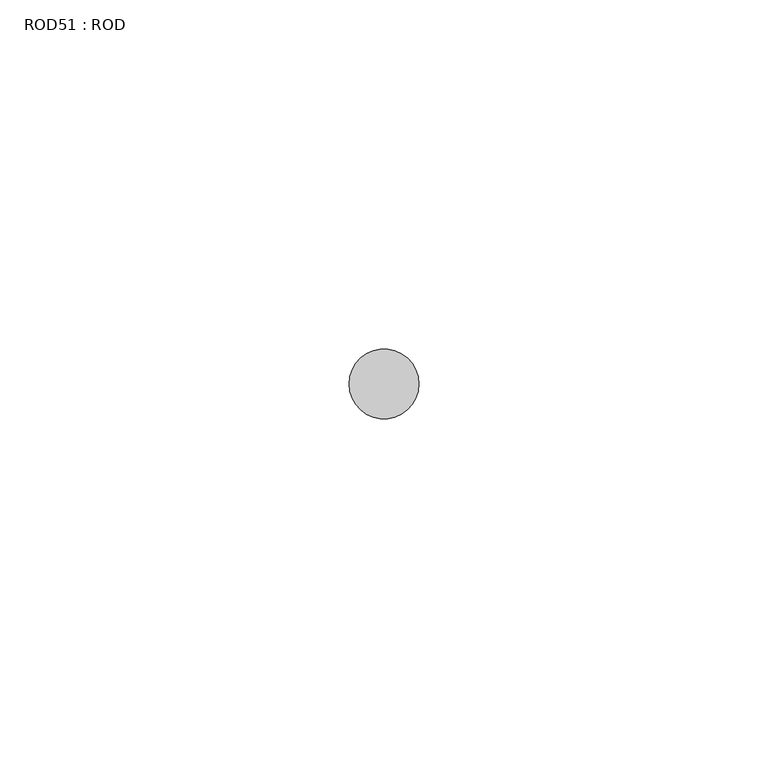
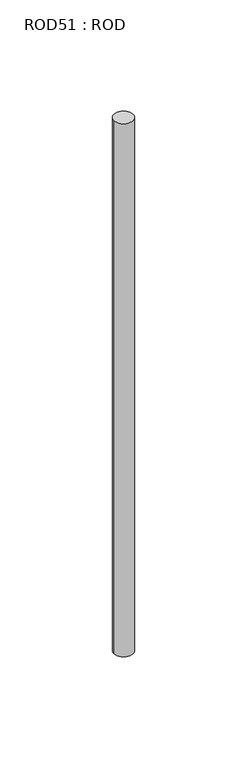
"""IFC4 building model written with IfcOpenShell, lengths in millimetres: proxy geometry, ROD51 : ROD."""

from ifc_helpers import new_model, si_unit, point, frame, frame_2d, origin, place, context, project, spatial, circle_curve, trimmed, segment, composite_curve, outline, extrude, source, transform, mapped, element, save


def rod51_rod_f43c3200(model_context):
    return source(origin(), model_context, "Body", "SweptSolid", [
        extrude(outline(composite_curve([segment(trimmed(circle_curve(frame_2d((5132.7784384, -1114.6300853)), 5.0), [point((5127.7784384, -1114.6300853))], [point((5137.7784384, -1114.6300853))], False, "CARTESIAN"), True, "CONTINUOUS"), segment(trimmed(circle_curve(frame_2d((5132.7784384, -1114.6300853)), 5.0), [point((5137.7784384, -1114.6300853))], [point((5127.7784384, -1114.6300853))], False, "CARTESIAN"), True, "CONTINUOUS")], self_intersect=False)), frame((0.0, 0.0, -208.6608845), z_axis=(0.0, 0.0, 1.0), x_axis=(1.0, 0.0, 0.0)), (0.0, 0.0, 1.0), 298.9028972),
    ])


if __name__ == "__main__":
    model = new_model("IFC4")
    model_context = context("Model", 3, world=origin())
    ifc_project = project(units=[si_unit("LENGTHUNIT", "METRE", prefix="MILLI")], contexts=[model_context])
    site = spatial("IfcSite", under=ifc_project)
    building = spatial("IfcBuilding", under=site)
    placement = place(None, origin())
    rod51_rod_shape = rod51_rod_f43c3200(model_context)
    element("IfcBuildingElementProxy", 1, Name="ROD51 : ROD", ObjectType="ROD51 : ROD", at=placement, inside=building, context=model_context, shape_type="MappedRepresentation", body=[
        mapped(rod51_rod_shape, transform((0.0, 0.0, 0.0), x_axis=(1.0, 0.0, 0.0), y_axis=(0.0, 1.0, 0.0), z_axis=(0.0, 0.0, 1.0))),
    ])
    save(model, "model.ifc")
